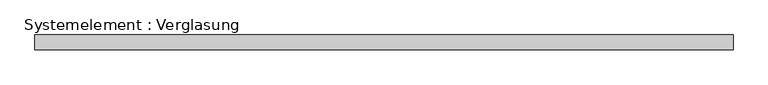
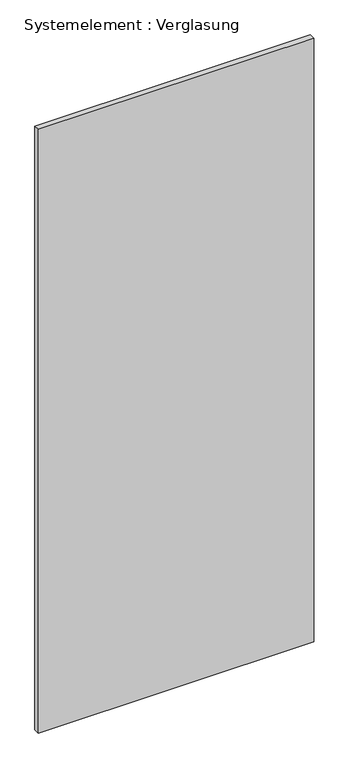
"""IFC4 building model written with IfcOpenShell, lengths in millimetres: plate geometry, Systemelement : Verglasung."""

from ifc_helpers import new_model, si_unit, origin, origin_with_axes, place, context, project, spatial, polyline, outline, extrude, source, transform, mapped, element, save


def systemelement_verglasung_a20dd39b(model_context):
    return source(origin(), model_context, "Body", "SweptSolid", [
        extrude(outline(polyline([(709.8201191, -15.0), (-709.8201191, -15.0), (-709.8201191, 15.0), (709.8201191, 15.0), (709.8201191, -15.0)])), origin_with_axes(), (0.0, 0.0, 1.0), 3290.0),
    ])


if __name__ == "__main__":
    model = new_model("IFC4")
    model_context = context("Model", 3, world=origin())
    ifc_project = project(units=[si_unit("LENGTHUNIT", "METRE", prefix="MILLI")], contexts=[model_context])
    site = spatial("IfcSite", under=ifc_project)
    building = spatial("IfcBuilding", under=site)
    placement = place(None, origin())
    systemelement_verglasung_shape = systemelement_verglasung_a20dd39b(model_context)
    element("IfcPlate", 1, ObjectType="Systemelement : Verglasung", at=placement, inside=building, context=model_context, shape_type="MappedRepresentation", body=[
        mapped(systemelement_verglasung_shape, transform((0.0, 0.0, 0.0), x_axis=(1.0, 0.0, 0.0), y_axis=(0.0, 1.0, 0.0), z_axis=(0.0, 0.0, 1.0))),
    ])
    save(model, "model.ifc")
